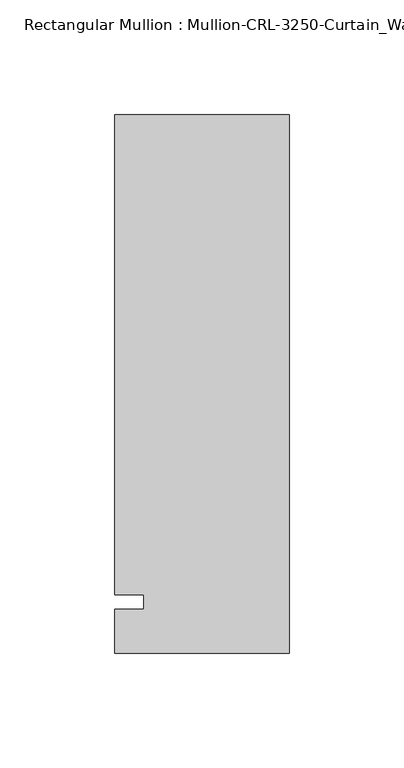
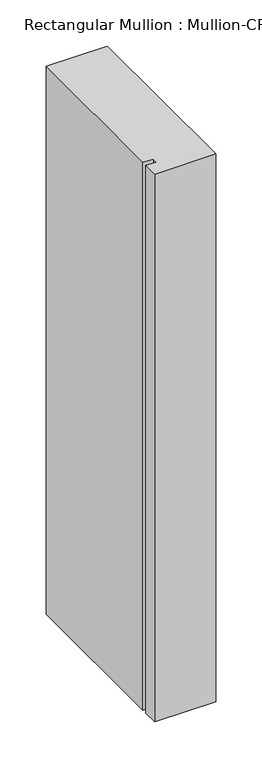
"""IFC4 building model written with IfcOpenShell, lengths in millimetres: member geometry."""

import ifcopenshell
import ifcopenshell.guid

model = None  # the IFC model being written
_history = None  # IfcOwnerHistory: only IFC2X3 demands one
_inside = {}  # id of a spatial element -> (the spatial element, [elements in it])
_under = {}  # id of a project, library or spatial element -> (it, [spatial elements below it])
_declared = {}  # id of a project -> (the project, [libraries it declares])
_typed = {}  # id of a type object -> (the type object, [elements of that type])
_made_of = {}  # id of a material, layer set ... -> (it, [elements and type objects made of it])


def new_model(schema):
    """Start an empty IFC model of exactly this schema.

    Asked for "IFC4X3", IfcOpenShell would pick the latest addendum, in which some entities
    have other attributes; the version numbers below select the first issue.
    IFC2X3 requires an IfcOwnerHistory on every rooted entity: one is made here for all.
    """
    global model, _history
    if schema == "IFC4X3":
        model = ifcopenshell.file(schema_version=(4, 3, 0, 0))
    else:
        model = ifcopenshell.file(schema=schema)
    _inside.clear()
    _under.clear()
    _declared.clear()
    _typed.clear()
    _made_of.clear()
    _history = None
    if model.schema == "IFC2X3":
        org = make("IfcOrganization", Name="unknown")
        user = make(
            "IfcPersonAndOrganization",
            ThePerson=make("IfcPerson", FamilyName="unknown"),
            TheOrganization=org,
        )
        app = make(
            "IfcApplication",
            ApplicationDeveloper=org,
            Version="unknown",
            ApplicationFullName="unknown",
            ApplicationIdentifier="unknown",
        )
        _history = make(
            "IfcOwnerHistory",
            OwningUser=user,
            OwningApplication=app,
            ChangeAction="ADDED",
            CreationDate=0,
        )
    return model


def make(cls, **values):
    """One entity of the class cls with the attributes given. An attribute that is None is left unset."""
    return model.create_entity(
        cls, **{name: value for name, value in values.items() if value is not None}
    )


def rooted(cls, **values):
    """An entity with a GlobalId (a new one), such as an element, a storey or a relation."""
    return make(cls, GlobalId=ifcopenshell.guid.new(), OwnerHistory=_history, **values)


def si_unit(unit_type, name, prefix=None):
    """IfcSIUnit, for example si_unit("LENGTHUNIT", "METRE", prefix="MILLI")."""
    return make("IfcSIUnit", UnitType=unit_type, Prefix=prefix, Name=name)


def assignment(units):
    """IfcUnitAssignment: the units of a project."""
    return None if units is None else make("IfcUnitAssignment", Units=units)


def point(xyz):
    """IfcCartesianPoint."""
    return None if xyz is None else make("IfcCartesianPoint", Coordinates=xyz)


def direction(xyz):
    """IfcDirection."""
    return None if xyz is None else make("IfcDirection", DirectionRatios=xyz)


def frame(location, z_axis=None, x_axis=None):
    """IfcAxis2Placement3D, a coordinate frame: its origin and axes. An axis left out is left unset."""
    return make(
        "IfcAxis2Placement3D",
        Location=point(location),
        Axis=direction(z_axis),
        RefDirection=direction(x_axis),
    )


def origin():
    """The frame at (0, 0, 0) with its axes left unset."""
    return frame((0.0, 0.0, 0.0))


def place(relative_to, where):
    """IfcLocalPlacement: puts the frame where relative to a parent placement (None: the world)."""
    return make(
        "IfcLocalPlacement", PlacementRelTo=relative_to, RelativePlacement=where
    )


def context(
    kind, dimensions, precision=None, world=None, true_north=None, identifier=None
):
    """IfcGeometricRepresentationContext, for example the 3D "Model" context."""
    return make(
        "IfcGeometricRepresentationContext",
        ContextIdentifier=identifier,
        ContextType=kind,
        CoordinateSpaceDimension=dimensions,
        Precision=precision,
        WorldCoordinateSystem=world,
        TrueNorth=true_north,
    )


def project(units=None, contexts=None):
    """IfcProject with its units and contexts."""
    return rooted(
        "IfcProject",
        Name="project",
        RepresentationContexts=contexts,
        UnitsInContext=assignment(units),
    )


def spatial(cls, under=None, at=None, **own):
    """A site, building, storey or space (cls), placed at a placement, below another one or the project."""
    s = rooted(cls, ObjectPlacement=at, **own)
    if under is not None:
        _under.setdefault(under.id(), (under, []))[1].append(s)
    return s


def polyline(points):
    """IfcPolyline through the points."""
    return make("IfcPolyline", Points=[point(p) for p in points])


def outline(outer, holes=None, kind="AREA"):
    """IfcArbitraryClosedProfileDef: a profile drawn as a closed curve; with holes, ...WithVoids."""
    if holes is None:
        return make("IfcArbitraryClosedProfileDef", ProfileType=kind, OuterCurve=outer)
    return make(
        "IfcArbitraryProfileDefWithVoids",
        ProfileType=kind,
        OuterCurve=outer,
        InnerCurves=holes,
    )


def extrude(swept, where, along, depth):
    """IfcExtrudedAreaSolid: the profile swept, set in the frame where, extruded along a direction by depth."""
    return make(
        "IfcExtrudedAreaSolid",
        SweptArea=swept,
        Position=where,
        ExtrudedDirection=direction(along),
        Depth=depth,
    )


def shape(context_of_items, identifier, shape_type, items):
    """IfcShapeRepresentation: the items that make up one representation, for example the "Body"."""
    return make(
        "IfcShapeRepresentation",
        ContextOfItems=context_of_items,
        RepresentationIdentifier=identifier,
        RepresentationType=shape_type,
        Items=items,
    )


def source(mapping_origin, context_of_items, identifier, shape_type, items):
    """IfcRepresentationMap: a shape defined once, which mapped items show again and again."""
    return make(
        "IfcRepresentationMap",
        MappingOrigin=mapping_origin,
        MappedRepresentation=shape(context_of_items, identifier, shape_type, items),
    )


def transform(
    local_origin,
    x_axis=None,
    y_axis=None,
    z_axis=None,
    scale=None,
    scale2=None,
    scale3=None,
    uniform=True,
):
    """IfcCartesianTransformationOperator3D, or its non-uniform kind. x_axis, y_axis, z_axis: its Axis1, 2, 3."""
    if uniform:
        return make(
            "IfcCartesianTransformationOperator3D",
            Axis1=direction(x_axis),
            Axis2=direction(y_axis),
            LocalOrigin=point(local_origin),
            Scale=scale,
            Axis3=direction(z_axis),
        )
    return make(
        "IfcCartesianTransformationOperator3DnonUniform",
        Axis1=direction(x_axis),
        Axis2=direction(y_axis),
        LocalOrigin=point(local_origin),
        Scale=scale,
        Axis3=direction(z_axis),
        Scale2=scale2,
        Scale3=scale3,
    )


def mapped(mapping_source, mapping_target):
    """IfcMappedItem: shows the shape of a source again, moved by a transform."""
    return make(
        "IfcMappedItem", MappingSource=mapping_source, MappingTarget=mapping_target
    )


def made_of(thing, what):
    """Note that an element or type object is made of a material, layer set ...; save() writes the relation."""
    if what is not None:
        _made_of.setdefault(what.id(), (what, []))[1].append(thing)
    return thing


def element(
    cls,
    number,
    at=None,
    inside=None,
    cuts=None,
    type_object=None,
    material=None,
    context=None,
    identifier="Body",
    shape_type=None,
    held_by="IfcProductDefinitionShape",
    body=None,
    shapes=None,
    **own,
):
    """One element of the class cls, such as IfcWall. Its Tag is "e" and its number.

    at: its placement. inside: the storey or other place that contains it. cuts: it is an
    opening in that element (IfcRelVoidsElement). A single representation is given by context,
    identifier, shape_type and body (its items); several are given by shapes. held_by: the class
    of the entity that holds the representations. save() writes the other relations.
    """
    e = rooted(cls, Tag="e%d" % number, ObjectPlacement=at, **own)
    if body is not None:
        shapes = [shape(context, identifier, shape_type, body)]
    if shapes is not None:
        e.Representation = make(held_by, Representations=shapes)
    if inside is not None:
        _inside.setdefault(inside.id(), (inside, []))[1].append(e)
    if cuts is not None:
        rooted(
            "IfcRelVoidsElement", RelatingBuildingElement=cuts, RelatedOpeningElement=e
        )
    if type_object is not None:
        _typed.setdefault(type_object.id(), (type_object, []))[1].append(e)
    return made_of(e, material)


def aggregate(whole, parts):
    """IfcRelAggregates: a whole, such as a stair, and the parts it consists of."""
    return rooted("IfcRelAggregates", RelatingObject=whole, RelatedObjects=parts)


def save(model, path):
    """Write the relations noted so far, then the file.

    IfcRelAggregates (storeys below a building ...), IfcRelContainedInSpatialStructure (elements
    in a storey), IfcRelDefinesByType, IfcRelAssociatesMaterial and IfcRelDeclares: one each for
    every whole, place, type object, material and project.
    """
    for whole, parts in _under.values():
        aggregate(whole, parts)
    for where, things in _inside.values():
        rooted(
            "IfcRelContainedInSpatialStructure",
            RelatedElements=things,
            RelatingStructure=where,
        )
    for kind, things in _typed.values():
        rooted("IfcRelDefinesByType", RelatedObjects=things, RelatingType=kind)
    for what, things in _made_of.values():
        rooted("IfcRelAssociatesMaterial", RelatedObjects=things, RelatingMaterial=what)
    for by, libraries in _declared.values():
        rooted("IfcRelDeclares", RelatingContext=by, RelatedDefinitions=libraries)
    model.write(path)


def member_9e245a91(model_context):
    return source(origin(), model_context, "Body", "SweptSolid", [
        extrude(outline(polyline([(0.0, -22.2254168), (-76.199997, -22.2254168), (-76.199997, -3.175), (-63.499997, -3.175), (-63.499997, 3.175), (-76.199997, 3.175), (-76.199997, 212.7246139), (0.0, 212.7246139), (0.0, -22.2254168)])), frame((0.0, 0.0, -723.9000045), z_axis=(0.0, 0.0, 1.0), x_axis=(1.0, 0.0, 0.0)), (0.0, 0.0, 1.0), 723.9000045),
    ])


if __name__ == "__main__":
    model = new_model("IFC4")
    model_context = context("Model", 3, world=origin())
    ifc_project = project(units=[si_unit("LENGTHUNIT", "METRE", prefix="MILLI")], contexts=[model_context])
    site = spatial("IfcSite", under=ifc_project)
    building = spatial("IfcBuilding", under=site)
    placement = place(None, origin())
    member_shape = member_9e245a91(model_context)
    element("IfcMember", 1, ObjectType="Rectangular Mullion : Mullion-CRL-3250-Curtain_Wall-Head-8\"", at=placement, inside=building, context=model_context, shape_type="MappedRepresentation", body=[
        mapped(member_shape, transform((0.0, 0.0, 0.0), x_axis=(1.0, 0.0, 0.0), y_axis=(0.0, 1.0, 0.0), z_axis=(0.0, 0.0, 1.0))),
    ])
    save(model, "model.ifc")
